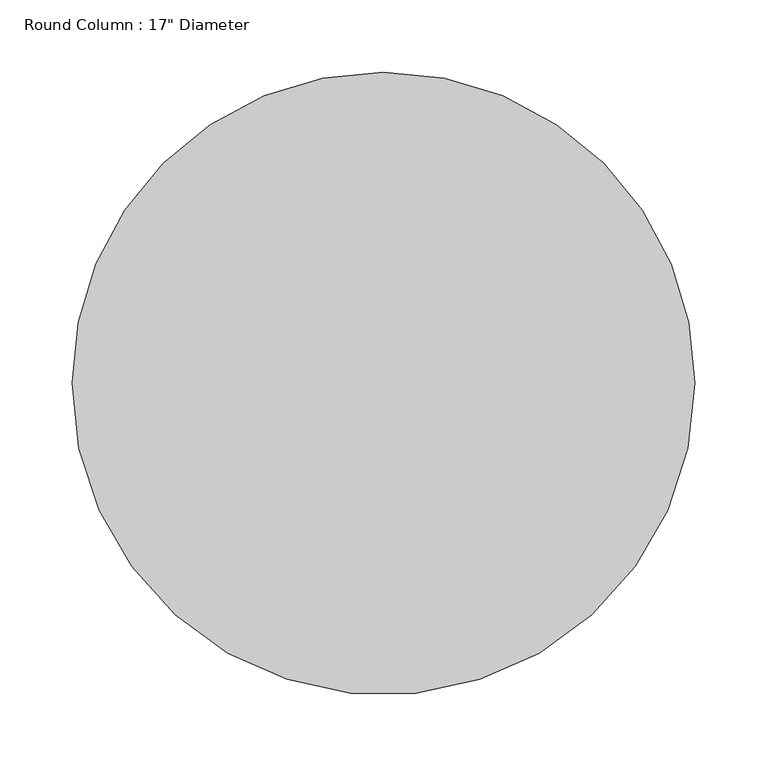
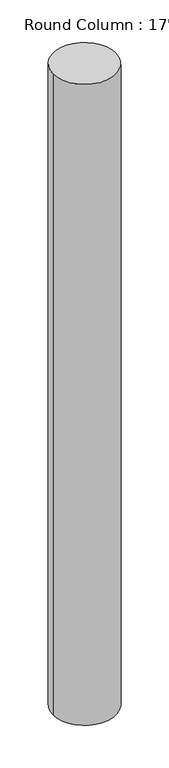
"""IFC4 building model written with IfcOpenShell, lengths in millimetres: column geometry."""

import ifcopenshell
import ifcopenshell.guid

model = None  # the IFC model being written
_history = None  # IfcOwnerHistory: only IFC2X3 demands one
_inside = {}  # id of a spatial element -> (the spatial element, [elements in it])
_under = {}  # id of a project, library or spatial element -> (it, [spatial elements below it])
_declared = {}  # id of a project -> (the project, [libraries it declares])
_typed = {}  # id of a type object -> (the type object, [elements of that type])
_made_of = {}  # id of a material, layer set ... -> (it, [elements and type objects made of it])


def new_model(schema):
    """Start an empty IFC model of exactly this schema.

    Asked for "IFC4X3", IfcOpenShell would pick the latest addendum, in which some entities
    have other attributes; the version numbers below select the first issue.
    IFC2X3 requires an IfcOwnerHistory on every rooted entity: one is made here for all.
    """
    global model, _history
    if schema == "IFC4X3":
        model = ifcopenshell.file(schema_version=(4, 3, 0, 0))
    else:
        model = ifcopenshell.file(schema=schema)
    _inside.clear()
    _under.clear()
    _declared.clear()
    _typed.clear()
    _made_of.clear()
    _history = None
    if model.schema == "IFC2X3":
        org = make("IfcOrganization", Name="unknown")
        user = make(
            "IfcPersonAndOrganization",
            ThePerson=make("IfcPerson", FamilyName="unknown"),
            TheOrganization=org,
        )
        app = make(
            "IfcApplication",
            ApplicationDeveloper=org,
            Version="unknown",
            ApplicationFullName="unknown",
            ApplicationIdentifier="unknown",
        )
        _history = make(
            "IfcOwnerHistory",
            OwningUser=user,
            OwningApplication=app,
            ChangeAction="ADDED",
            CreationDate=0,
        )
    return model


def make(cls, **values):
    """One entity of the class cls with the attributes given. An attribute that is None is left unset."""
    return model.create_entity(
        cls, **{name: value for name, value in values.items() if value is not None}
    )


def rooted(cls, **values):
    """An entity with a GlobalId (a new one), such as an element, a storey or a relation."""
    return make(cls, GlobalId=ifcopenshell.guid.new(), OwnerHistory=_history, **values)


def si_unit(unit_type, name, prefix=None):
    """IfcSIUnit, for example si_unit("LENGTHUNIT", "METRE", prefix="MILLI")."""
    return make("IfcSIUnit", UnitType=unit_type, Prefix=prefix, Name=name)


def assignment(units):
    """IfcUnitAssignment: the units of a project."""
    return None if units is None else make("IfcUnitAssignment", Units=units)


def point(xyz):
    """IfcCartesianPoint."""
    return None if xyz is None else make("IfcCartesianPoint", Coordinates=xyz)


def direction(xyz):
    """IfcDirection."""
    return None if xyz is None else make("IfcDirection", DirectionRatios=xyz)


def frame(location, z_axis=None, x_axis=None):
    """IfcAxis2Placement3D, a coordinate frame: its origin and axes. An axis left out is left unset."""
    return make(
        "IfcAxis2Placement3D",
        Location=point(location),
        Axis=direction(z_axis),
        RefDirection=direction(x_axis),
    )


def frame_2d(location, x_axis=None):
    """IfcAxis2Placement2D, a coordinate frame in the plane: its origin and x axis."""
    return make(
        "IfcAxis2Placement2D", Location=point(location), RefDirection=direction(x_axis)
    )


def origin():
    """The frame at (0, 0, 0) with its axes left unset."""
    return frame((0.0, 0.0, 0.0))


def origin_with_axes():
    """The frame at (0, 0, 0) with the z axis (0, 0, 1) and the x axis (1, 0, 0) written out."""
    return frame((0.0, 0.0, 0.0), z_axis=(0.0, 0.0, 1.0), x_axis=(1.0, 0.0, 0.0))


def origin_2d():
    """The frame at (0, 0) in the plane with its x axis left unset."""
    return frame_2d((0.0, 0.0))


def place(relative_to, where):
    """IfcLocalPlacement: puts the frame where relative to a parent placement (None: the world)."""
    return make(
        "IfcLocalPlacement", PlacementRelTo=relative_to, RelativePlacement=where
    )


def context(
    kind, dimensions, precision=None, world=None, true_north=None, identifier=None
):
    """IfcGeometricRepresentationContext, for example the 3D "Model" context."""
    return make(
        "IfcGeometricRepresentationContext",
        ContextIdentifier=identifier,
        ContextType=kind,
        CoordinateSpaceDimension=dimensions,
        Precision=precision,
        WorldCoordinateSystem=world,
        TrueNorth=true_north,
    )


def project(units=None, contexts=None):
    """IfcProject with its units and contexts."""
    return rooted(
        "IfcProject",
        Name="project",
        RepresentationContexts=contexts,
        UnitsInContext=assignment(units),
    )


def spatial(cls, under=None, at=None, **own):
    """A site, building, storey or space (cls), placed at a placement, below another one or the project."""
    s = rooted(cls, ObjectPlacement=at, **own)
    if under is not None:
        _under.setdefault(under.id(), (under, []))[1].append(s)
    return s


def circle_curve(where, radius):
    """IfcCircle in the frame where."""
    return make("IfcCircle", Position=where, Radius=radius)


def trimmed(basis, trim1, trim2, sense, master):
    """IfcTrimmedCurve: the piece of a basis curve between two trims."""
    return make(
        "IfcTrimmedCurve",
        BasisCurve=basis,
        Trim1=trim1,
        Trim2=trim2,
        SenseAgreement=sense,
        MasterRepresentation=master,
    )


def segment(curve, same_sense, transition):
    """IfcCompositeCurveSegment."""
    return make(
        "IfcCompositeCurveSegment",
        Transition=transition,
        SameSense=same_sense,
        ParentCurve=curve,
    )


def composite_curve(segments, self_intersect=None):
    """IfcCompositeCurve: segments joined end to end."""
    return make("IfcCompositeCurve", Segments=segments, SelfIntersect=self_intersect)


def outline(outer, holes=None, kind="AREA"):
    """IfcArbitraryClosedProfileDef: a profile drawn as a closed curve; with holes, ...WithVoids."""
    if holes is None:
        return make("IfcArbitraryClosedProfileDef", ProfileType=kind, OuterCurve=outer)
    return make(
        "IfcArbitraryProfileDefWithVoids",
        ProfileType=kind,
        OuterCurve=outer,
        InnerCurves=holes,
    )


def extrude(swept, where, along, depth):
    """IfcExtrudedAreaSolid: the profile swept, set in the frame where, extruded along a direction by depth."""
    return make(
        "IfcExtrudedAreaSolid",
        SweptArea=swept,
        Position=where,
        ExtrudedDirection=direction(along),
        Depth=depth,
    )


def shape(context_of_items, identifier, shape_type, items):
    """IfcShapeRepresentation: the items that make up one representation, for example the "Body"."""
    return make(
        "IfcShapeRepresentation",
        ContextOfItems=context_of_items,
        RepresentationIdentifier=identifier,
        RepresentationType=shape_type,
        Items=items,
    )


def source(mapping_origin, context_of_items, identifier, shape_type, items):
    """IfcRepresentationMap: a shape defined once, which mapped items show again and again."""
    return make(
        "IfcRepresentationMap",
        MappingOrigin=mapping_origin,
        MappedRepresentation=shape(context_of_items, identifier, shape_type, items),
    )


def transform(
    local_origin,
    x_axis=None,
    y_axis=None,
    z_axis=None,
    scale=None,
    scale2=None,
    scale3=None,
    uniform=True,
):
    """IfcCartesianTransformationOperator3D, or its non-uniform kind. x_axis, y_axis, z_axis: its Axis1, 2, 3."""
    if uniform:
        return make(
            "IfcCartesianTransformationOperator3D",
            Axis1=direction(x_axis),
            Axis2=direction(y_axis),
            LocalOrigin=point(local_origin),
            Scale=scale,
            Axis3=direction(z_axis),
        )
    return make(
        "IfcCartesianTransformationOperator3DnonUniform",
        Axis1=direction(x_axis),
        Axis2=direction(y_axis),
        LocalOrigin=point(local_origin),
        Scale=scale,
        Axis3=direction(z_axis),
        Scale2=scale2,
        Scale3=scale3,
    )


def mapped(mapping_source, mapping_target):
    """IfcMappedItem: shows the shape of a source again, moved by a transform."""
    return make(
        "IfcMappedItem", MappingSource=mapping_source, MappingTarget=mapping_target
    )


def made_of(thing, what):
    """Note that an element or type object is made of a material, layer set ...; save() writes the relation."""
    if what is not None:
        _made_of.setdefault(what.id(), (what, []))[1].append(thing)
    return thing


def element(
    cls,
    number,
    at=None,
    inside=None,
    cuts=None,
    type_object=None,
    material=None,
    context=None,
    identifier="Body",
    shape_type=None,
    held_by="IfcProductDefinitionShape",
    body=None,
    shapes=None,
    **own,
):
    """One element of the class cls, such as IfcWall. Its Tag is "e" and its number.

    at: its placement. inside: the storey or other place that contains it. cuts: it is an
    opening in that element (IfcRelVoidsElement). A single representation is given by context,
    identifier, shape_type and body (its items); several are given by shapes. held_by: the class
    of the entity that holds the representations. save() writes the other relations.
    """
    e = rooted(cls, Tag="e%d" % number, ObjectPlacement=at, **own)
    if body is not None:
        shapes = [shape(context, identifier, shape_type, body)]
    if shapes is not None:
        e.Representation = make(held_by, Representations=shapes)
    if inside is not None:
        _inside.setdefault(inside.id(), (inside, []))[1].append(e)
    if cuts is not None:
        rooted(
            "IfcRelVoidsElement", RelatingBuildingElement=cuts, RelatedOpeningElement=e
        )
    if type_object is not None:
        _typed.setdefault(type_object.id(), (type_object, []))[1].append(e)
    return made_of(e, material)


def aggregate(whole, parts):
    """IfcRelAggregates: a whole, such as a stair, and the parts it consists of."""
    return rooted("IfcRelAggregates", RelatingObject=whole, RelatedObjects=parts)


def save(model, path):
    """Write the relations noted so far, then the file.

    IfcRelAggregates (storeys below a building ...), IfcRelContainedInSpatialStructure (elements
    in a storey), IfcRelDefinesByType, IfcRelAssociatesMaterial and IfcRelDeclares: one each for
    every whole, place, type object, material and project.
    """
    for whole, parts in _under.values():
        aggregate(whole, parts)
    for where, things in _inside.values():
        rooted(
            "IfcRelContainedInSpatialStructure",
            RelatedElements=things,
            RelatingStructure=where,
        )
    for kind, things in _typed.values():
        rooted("IfcRelDefinesByType", RelatedObjects=things, RelatingType=kind)
    for what, things in _made_of.values():
        rooted("IfcRelAssociatesMaterial", RelatedObjects=things, RelatingMaterial=what)
    for by, libraries in _declared.values():
        rooted("IfcRelDeclares", RelatingContext=by, RelatedDefinitions=libraries)
    model.write(path)


def column_cc02c463(model_context):
    return source(origin(), model_context, "Body", "SweptSolid", [
        extrude(outline(composite_curve([segment(trimmed(circle_curve(origin_2d(), 215.9), [point((215.9, 0.0))], [point((-215.9, 0.0))], False, "CARTESIAN"), True, "CONTINUOUS"), segment(trimmed(circle_curve(origin_2d(), 215.9), [point((-215.9, 0.0))], [point((0.0, 215.9))], False, "CARTESIAN"), True, "CONTINUOUS"), segment(trimmed(circle_curve(origin_2d(), 215.9), [point((0.0, 215.9))], [point((215.9, 0.0))], False, "CARTESIAN"), True, "CONTINUOUS")], self_intersect=False)), origin_with_axes(), (0.0, 0.0, 1.0), 4635.5),
    ])


if __name__ == "__main__":
    model = new_model("IFC4")
    model_context = context("Model", 3, world=origin())
    ifc_project = project(units=[si_unit("LENGTHUNIT", "METRE", prefix="MILLI")], contexts=[model_context])
    site = spatial("IfcSite", under=ifc_project)
    building = spatial("IfcBuilding", under=site)
    placement = place(None, origin())
    column_shape = column_cc02c463(model_context)
    element("IfcColumn", 1, ObjectType="Round Column : 17\" Diameter", at=placement, inside=building, context=model_context, shape_type="MappedRepresentation", body=[
        mapped(column_shape, transform((0.0, 0.0, 0.0), x_axis=(1.0, 0.0, 0.0), y_axis=(0.0, 1.0, 0.0), z_axis=(0.0, 0.0, 1.0))),
    ])
    save(model, "model.ifc")
